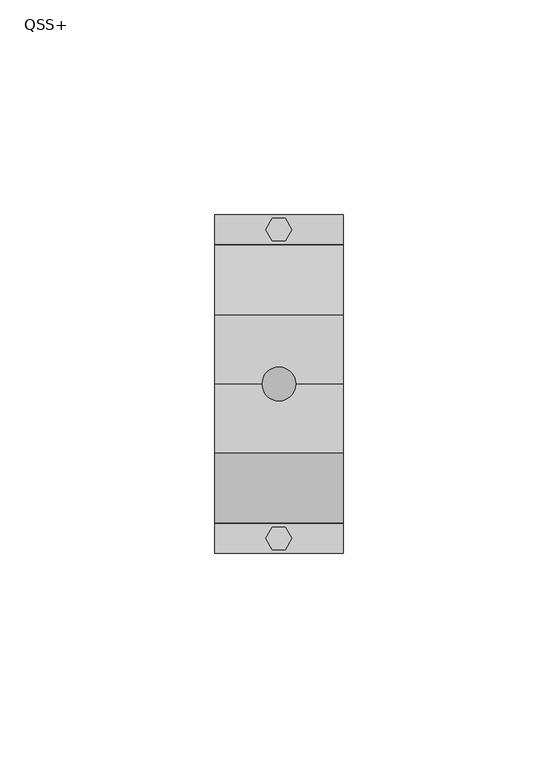
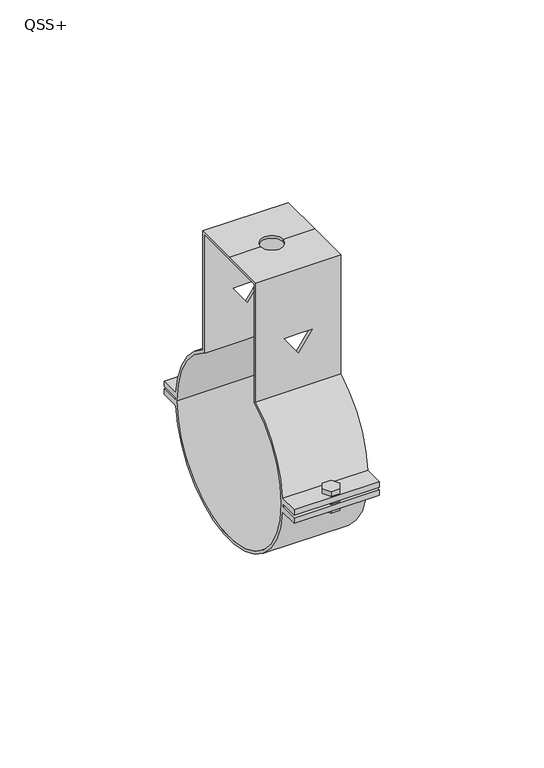
"""IFC4 building model written with IfcOpenShell, lengths in millimetres: proxy geometry, QSS+."""

from ifc_helpers import new_model, si_unit, frame, origin, place, context, project, spatial, polyline, circle_curve, outline, extrude, source, transform, mapped, element, save
from ifc_brep_helpers import plane_surface, cylinder_surface, revolved_surface, advanced_brep


def qss_b2c4017f(model_context):
    return source(origin(), model_context, "Body", "SolidModel", [
        extrude(outline(polyline([(1.5, 38.5980762), (3.0, 36.0), (1.5, 33.4019238), (-1.5, 33.4019238), (-3.0, 36.0), (-1.5, 38.5980762), (1.5, 38.5980762)])), frame((0.0, 0.0, -4.0), z_axis=(0.0, 0.0, 1.0), x_axis=(1.0, 0.0, 0.0)), (0.0, 0.0, 1.0), 8.0),
        extrude(outline(polyline([(1.5, -38.5980762), (-1.5, -38.5980762), (-3.0, -36.0), (-1.5, -33.4019238), (1.5, -33.4019238), (3.0, -36.0), (1.5, -38.5980762)])), frame((0.0, 0.0, -4.0), z_axis=(0.0, 0.0, 1.0), x_axis=(1.0, 0.0, 0.0)), (0.0, 0.0, 1.0), 8.0),
        advanced_brep(
        [(-15.0, -16.0, 72.5), (-15.0, 0.0, 72.5), (-15.0, 16.0, 72.5), (-15.0, 16.0, 28.2886903), (-15.0, 32.4062533, 2.4667277), (-15.0, 39.5, 2.4667277), (-15.0, 39.5, 0.4667277), (-15.0, 32.4966485, 0.4667277), (-15.0, 32.5, 0.0), (-15.0, 32.4966485, -0.4667277), (-15.0, 39.5, -0.4667277), (-15.0, 39.5, -2.4667277), (-15.0, 32.4062533, -2.4667277), (-15.0, -32.4033531, -2.5045372), (-15.0, -39.5, -2.5045372), (-15.0, -39.5, -0.5045372), (-15.0, -32.4960835, -0.5045372), (-15.0, -32.5, 0.0), (-15.0, -32.4960835, 0.5045372), (-15.0, -39.5, 0.5045372), (-15.0, -39.5, 2.5045372), (-15.0, -32.4033531, 2.5045372), (-15.0, -16.0, 28.2886903), (-15.0, 14.9730976, 71.5081289), (-15.0, 0.0, 71.5081289), (-15.0, -14.9730976, 71.5081289), (-15.0, -14.9730976, 27.7138295), (-15.0, -16.0, 27.1339271), (-15.0, -31.5, 0.0), (-15.0, 31.5, 0.0), (-15.0, 16.0, 27.1339271), (-15.0, 14.9730976, 27.7138295), (15.0, 16.0, 72.5), (15.0, 0.0, 72.5), (15.0, -16.0, 72.5), (15.0, -16.0, 28.2886903), (15.0, -32.4033531, 2.5045372), (15.0, -39.5, 2.5045372), (15.0, -39.5, 0.5045372), (15.0, -32.4960835, 0.5045372), (15.0, -32.5, 0.0), (15.0, -32.4960835, -0.5045372), (15.0, -39.5, -0.5045372), (15.0, -39.5, -2.5045372), (15.0, -32.4033531, -2.5045372), (15.0, 32.4062533, -2.4667277), (15.0, 39.5, -2.4667277), (15.0, 39.5, -0.4667277), (15.0, 32.4966485, -0.4667277), (15.0, 32.5, 0.0), (15.0, 32.4966485, 0.4667277), (15.0, 39.5, 0.4667277), (15.0, 39.5, 2.4667277), (15.0, 32.4062533, 2.4667277), (15.0, 16.0, 28.2886903), (15.0, -14.9730976, 71.5081289), (15.0, 0.0, 71.5081289), (15.0, 14.9730976, 71.5081289), (15.0, 14.9730976, 27.7138295), (15.0, 16.0, 27.1339271), (15.0, 31.5, 0.0), (15.0, -31.5, 0.0), (15.0, -16.0, 27.1339271), (15.0, -14.9730976, 27.7138295), (-4.0, 0.0, 72.5), (4.0, 0.0, 72.5), (0.0, -16.0, 48.3826485), (4.9139468, -16.0, 48.3826485), (0.0, -16.0, 41.3648052), (-4.9139468, -16.0, 48.3826485), (4.9139468, -14.9730976, 48.3826485), (0.0, -14.9730976, 48.3826485), (-4.9139468, -14.9730976, 48.3826485), (0.0, -14.9730976, 41.3648052), (-4.0, 0.0, 71.5081289), (4.0, 0.0, 71.5081289), (0.0, 14.9730976, 48.3826485), (4.9139468, 14.9730976, 48.3826485), (0.0, 14.9730976, 41.3648052), (-4.9139468, 14.9730976, 48.3826485), (4.9139468, 16.0, 48.3826485), (0.0, 16.0, 48.3826485), (-4.9139468, 16.0, 48.3826485), (0.0, 16.0, 41.3648052)],
        [
            (0, 1),
            (1, 2),
            (2, 3),
            (3, 4, circle_curve(frame((-15.0, 0.0, 0.0), z_axis=(-1.0, 0.0, 0.0), x_axis=(0.0, 1.0, 0.0)), 32.5)),
            (4, 5),
            (5, 6),
            (6, 7),
            (7, 8, circle_curve(frame((-15.0, 0.0, 0.0), z_axis=(-1.0, 0.0, 0.0), x_axis=(0.0, 1.0, 0.0)), 32.5)),
            (8, 9, circle_curve(frame((-15.0, 0.0, 0.0), z_axis=(-1.0, 0.0, 0.0), x_axis=(0.0, 1.0, 0.0)), 32.5)),
            (9, 10),
            (10, 11),
            (11, 12),
            (12, 13, circle_curve(frame((-15.0, 0.0, 0.0), z_axis=(-1.0, 0.0, 0.0), x_axis=(0.0, 1.0, 0.0)), 32.5)),
            (13, 14),
            (14, 15),
            (15, 16),
            (16, 17, circle_curve(frame((-15.0, 0.0, 0.0), z_axis=(-1.0, 0.0, 0.0), x_axis=(0.0, 1.0, 0.0)), 32.5)),
            (17, 18, circle_curve(frame((-15.0, 0.0, 0.0), z_axis=(-1.0, 0.0, 0.0), x_axis=(0.0, 1.0, 0.0)), 32.5)),
            (18, 19),
            (19, 20),
            (20, 21),
            (21, 22, circle_curve(frame((-15.0, 0.0, 0.0), z_axis=(-1.0, 0.0, 0.0), x_axis=(0.0, 1.0, 0.0)), 32.5)),
            (22, 0),
            (23, 24),
            (24, 25),
            (25, 26),
            (26, 27, circle_curve(frame((-15.0, 0.0, 0.0), z_axis=(1.0, 0.0, 0.0), x_axis=(0.0, 1.0, 0.0)), 31.5)),
            (27, 28, circle_curve(frame((-15.0, 0.0, 0.0), z_axis=(1.0, 0.0, 0.0), x_axis=(0.0, 1.0, 0.0)), 31.5)),
            (28, 29, circle_curve(frame((-15.0, 0.0, 0.0), z_axis=(1.0, 0.0, 0.0), x_axis=(0.0, 1.0, 0.0)), 31.5)),
            (29, 30, circle_curve(frame((-15.0, 0.0, 0.0), z_axis=(1.0, 0.0, 0.0), x_axis=(0.0, 1.0, 0.0)), 31.5)),
            (30, 31, circle_curve(frame((-15.0, 0.0, 0.0), z_axis=(1.0, 0.0, 0.0), x_axis=(0.0, 1.0, 0.0)), 31.5)),
            (31, 23),
            (32, 33),
            (33, 34),
            (34, 35),
            (35, 36, circle_curve(frame((15.0, 0.0, 0.0), z_axis=(1.0, 0.0, 0.0), x_axis=(0.0, 1.0, 0.0)), 32.5)),
            (36, 37),
            (37, 38),
            (38, 39),
            (39, 40, circle_curve(frame((15.0, 0.0, 0.0), z_axis=(1.0, 0.0, 0.0), x_axis=(0.0, 1.0, 0.0)), 32.5)),
            (40, 41, circle_curve(frame((15.0, 0.0, 0.0), z_axis=(1.0, 0.0, 0.0), x_axis=(0.0, 1.0, 0.0)), 32.5)),
            (41, 42),
            (42, 43),
            (43, 44),
            (44, 45, circle_curve(frame((15.0, 0.0, 0.0), z_axis=(1.0, 0.0, 0.0), x_axis=(0.0, 1.0, 0.0)), 32.5)),
            (45, 46),
            (46, 47),
            (47, 48),
            (48, 49, circle_curve(frame((15.0, 0.0, 0.0), z_axis=(1.0, 0.0, 0.0), x_axis=(0.0, 1.0, 0.0)), 32.5)),
            (49, 50, circle_curve(frame((15.0, 0.0, 0.0), z_axis=(1.0, 0.0, 0.0), x_axis=(0.0, 1.0, 0.0)), 32.5)),
            (50, 51),
            (51, 52),
            (52, 53),
            (53, 54, circle_curve(frame((15.0, 0.0, 0.0), z_axis=(1.0, 0.0, 0.0), x_axis=(0.0, 1.0, 0.0)), 32.5)),
            (54, 32),
            (55, 56),
            (56, 57),
            (57, 58),
            (58, 59, circle_curve(frame((15.0, 0.0, 0.0), z_axis=(-1.0, 0.0, 0.0), x_axis=(0.0, 1.0, 0.0)), 31.5)),
            (59, 60, circle_curve(frame((15.0, 0.0, 0.0), z_axis=(-1.0, 0.0, 0.0), x_axis=(0.0, 1.0, 0.0)), 31.5)),
            (60, 61, circle_curve(frame((15.0, 0.0, 0.0), z_axis=(-1.0, 0.0, 0.0), x_axis=(0.0, 1.0, 0.0)), 31.5)),
            (61, 62, circle_curve(frame((15.0, 0.0, 0.0), z_axis=(-1.0, 0.0, 0.0), x_axis=(0.0, 1.0, 0.0)), 31.5)),
            (62, 63, circle_curve(frame((15.0, 0.0, 0.0), z_axis=(-1.0, 0.0, 0.0), x_axis=(0.0, 1.0, 0.0)), 31.5)),
            (63, 55),
            (1, 64),
            (64, 65, circle_curve(frame((0.0, 0.0, 72.5), z_axis=(0.0, 0.0, -1.0), x_axis=(1.0, 0.0, 0.0)), 4.0)),
            (65, 33),
            (32, 2),
            (0, 34),
            (65, 64, circle_curve(frame((0.0, 0.0, 72.5), z_axis=(0.0, 0.0, -1.0), x_axis=(1.0, 0.0, 0.0)), 4.0)),
            (22, 35),
            (66, 67),
            (67, 68),
            (68, 69),
            (69, 66),
            (25, 55),
            (63, 26),
            (70, 71),
            (71, 72),
            (72, 73),
            (73, 70),
            (24, 74),
            (74, 75, circle_curve(frame((0.0, 0.0, 71.5081289), z_axis=(0.0, 0.0, 1.0), x_axis=(1.0, 0.0, 0.0)), 4.0)),
            (75, 56),
            (23, 57),
            (75, 74, circle_curve(frame((0.0, 0.0, 71.5081289), z_axis=(0.0, 0.0, 1.0), x_axis=(1.0, 0.0, 0.0)), 4.0)),
            (31, 58),
            (76, 77),
            (77, 78),
            (78, 79),
            (79, 76),
            (54, 3),
            (80, 81),
            (81, 82),
            (82, 83),
            (83, 80),
            (61, 28),
            (27, 62),
            (29, 60),
            (59, 30),
            (40, 17),
            (16, 41),
            (8, 49),
            (48, 9),
            (12, 45),
            (44, 13),
            (21, 36),
            (53, 4),
            (39, 18),
            (7, 50),
            (6, 51),
            (5, 52),
            (11, 46),
            (10, 47),
            (38, 19),
            (37, 20),
            (43, 14),
            (42, 15),
            (70, 67),
            (66, 71),
            (80, 77),
            (76, 81),
            (69, 72),
            (79, 82),
            (68, 73),
            (78, 83),
            (65, 75),
            (74, 64),
        ],
        [
            plane_surface(frame((-15.0, 16.0, 72.5), z_axis=(-1.0, 0.0, 0.0), x_axis=(0.0, 1.0, 0.0))),
            plane_surface(frame((15.0, 16.0, 72.5), z_axis=(1.0, 0.0, 0.0), x_axis=(0.0, -1.0, 0.0))),
            plane_surface(frame((15.0, 16.0, 72.5), z_axis=(0.0, 0.0, 1.0), x_axis=(-1.0, 0.0, 0.0))),
            plane_surface(frame((15.0, 0.0, 72.5), z_axis=(0.0, 0.0, 1.0), x_axis=(-1.0, 0.0, 0.0))),
            plane_surface(frame((15.0, -16.0, 72.5), z_axis=(0.0, -1.0, 0.0), x_axis=(-1.0, 0.0, 0.0))),
            plane_surface(frame((15.0, -14.9730976, 0.0), z_axis=(0.0, 1.0, 0.0), x_axis=(-1.0, 0.0, 0.0))),
            plane_surface(frame((15.0, -14.9730976, 71.5081289), z_axis=(0.0, 0.0, -1.0), x_axis=(-1.0, 0.0, 0.0))),
            plane_surface(frame((15.0, 0.0, 71.5081289), z_axis=(0.0, 0.0, -1.0), x_axis=(-1.0, 0.0, 0.0))),
            plane_surface(frame((15.0, 14.9730976, 71.5081289), z_axis=(0.0, -1.0, 0.0), x_axis=(-1.0, 0.0, 0.0))),
            plane_surface(frame((15.0, 16.0, 0.0), z_axis=(0.0, 1.0, 0.0), x_axis=(-1.0, 0.0, 0.0))),
            revolved_surface(polyline([(-15.0, 31.5, 0.0), (15.0, 31.5, 0.0)]), (-15.0, 0.0, 0.0), (-1.0, 0.0, 0.0)),
            cylinder_surface(frame((0.0, 0.0, 0.0), z_axis=(1.0, 0.0, 0.0), x_axis=(0.0, 1.0, 0.0)), 32.5),
            revolved_surface(polyline([(15.0, 31.5, 0.0), (-15.0, 31.5, 0.0)]), (-15.0, 0.0, 0.0), (1.0, 0.0, 0.0)),
            plane_surface(frame((15.0, 31.7591075, 0.4667277), z_axis=(0.0, 0.0, -1.0), x_axis=(-1.0, 0.0, 0.0))),
            plane_surface(frame((15.0, 39.5, 0.4667277), z_axis=(0.0, 1.0, 0.0), x_axis=(-1.0, 0.0, 0.0))),
            plane_surface(frame((15.0, 39.5, 2.4667277), z_axis=(0.0, 0.0, 1.0), x_axis=(-1.0, 0.0, 0.0))),
            plane_surface(frame((15.0, 31.7591075, -2.4667277), z_axis=(0.0, 0.0, -1.0), x_axis=(-1.0, 0.0, 0.0))),
            plane_surface(frame((15.0, 39.5, -2.4667277), z_axis=(0.0, 1.0, 0.0), x_axis=(-1.0, 0.0, 0.0))),
            plane_surface(frame((15.0, 39.5, -0.4667277), z_axis=(0.0, 0.0, 1.0), x_axis=(-1.0, 0.0, 0.0))),
            plane_surface(frame((15.0, -39.5, 0.5045372), z_axis=(0.0, 0.0, -1.0), x_axis=(-1.0, 0.0, 0.0))),
            plane_surface(frame((15.0, -39.5, 2.5045372), z_axis=(0.0, -1.0, 0.0), x_axis=(-1.0, 0.0, 0.0))),
            plane_surface(frame((15.0, -31.7591075, 2.5045372), z_axis=(0.0, 0.0, 1.0), x_axis=(-1.0, 0.0, 0.0))),
            plane_surface(frame((15.0, -39.5, -2.5045372), z_axis=(0.0, 0.0, -1.0), x_axis=(-1.0, 0.0, 0.0))),
            plane_surface(frame((15.0, -39.5, -0.5045372), z_axis=(0.0, -1.0, 0.0), x_axis=(-1.0, 0.0, 0.0))),
            plane_surface(frame((15.0, -31.7591075, -0.5045372), z_axis=(0.0, 0.0, 1.0), x_axis=(-1.0, 0.0, 0.0))),
            plane_surface(frame((4.9139468, -23.1577597, 48.3826485), z_axis=(0.0, 0.0, -1.0), x_axis=(0.0, 1.0, 0.0))),
            plane_surface(frame((0.0, -23.1577597, 48.3826485), z_axis=(0.0, 0.0, -1.0), x_axis=(0.0, 1.0, 0.0))),
            plane_surface(frame((-4.9139468, -23.1577597, 48.3826485), z_axis=(0.8191520442889921, 0.0, 0.5735764363510457), x_axis=(0.0, 1.0, 0.0))),
            plane_surface(frame((0.0, -23.1577597, 41.3648052), z_axis=(-0.8191520442889922, 0.0, 0.5735764363510454), x_axis=(0.0, 1.0, 0.0))),
            revolved_surface(polyline([(4.0, 0.0, 72.5), (4.0, 0.0, 71.5081289)]), (0.0, 0.0, 71.5081289), (0.0, 0.0, 1.0)),
        ],
        [
            (0, [[1, 2, 3, 4, 5, 6, 7, 8, 9, 10, 11, 12, 13, 14, 15, 16, 17, 18, 19, 20, 21, 22, 23], [24, 25, 26, 27, 28, 29, 30, 31, 32]]),
            (1, [[33, 34, 35, 36, 37, 38, 39, 40, 41, 42, 43, 44, 45, 46, 47, 48, 49, 50, 51, 52, 53, 54, 55], [56, 57, 58, 59, 60, 61, 62, 63, 64]]),
            (2, [[-2, 65, 66, 67, -33, 68]]),
            (3, [[-1, 69, -34, -67, 70, -65]]),
            (4, [[-69, -23, 71, -35], [72, 73, 74, 75]]),
            (5, [[76, -64, 77, -26], [78, 79, 80, 81]]),
            (6, [[-25, 82, 83, 84, -56, -76]]),
            (7, [[-24, 85, -57, -84, 86, -82]]),
            (8, [[-85, -32, 87, -58], [88, 89, 90, 91]]),
            (9, [[-68, -55, 92, -3], [93, 94, 95, 96]]),
            (10, [[97, -28, 98, -62]]),
            (10, [[99, -60, 100, -30]]),
            (10, [[-29, -97, -61, -99]]),
            (11, [[101, -17, 102, -41]]),
            (11, [[103, -49, 104, -9]]),
            (11, [[105, -45, 106, -13]]),
            (11, [[-71, -22, 107, -36]]),
            (11, [[-92, -54, 108, -4]]),
            (11, [[-101, -40, 109, -18]]),
            (11, [[-103, -8, 110, -50]]),
            (12, [[-27, -77, -63, -98]]),
            (12, [[-31, -100, -59, -87]]),
            (13, [[111, -51, -110, -7]]),
            (14, [[-52, -111, -6, 112]]),
            (15, [[-112, -5, -108, -53]]),
            (16, [[113, -46, -105, -12]]),
            (17, [[-47, -113, -11, 114]]),
            (18, [[-114, -10, -104, -48]]),
            (19, [[115, -19, -109, -39]]),
            (20, [[-38, 116, -20, -115]]),
            (21, [[-116, -37, -107, -21]]),
            (22, [[117, -14, -106, -44]]),
            (23, [[-43, 118, -15, -117]]),
            (24, [[-118, -42, -102, -16]]),
            (25, [[119, -72, 120, -78]]),
            (25, [[121, -88, 122, -93]]),
            (26, [[-120, -75, 123, -79]]),
            (26, [[-122, -91, 124, -94]]),
            (27, [[-123, -74, 125, -80]]),
            (27, [[-124, -90, 126, -95]]),
            (28, [[-119, -81, -125, -73]]),
            (28, [[-121, -96, -126, -89]]),
            (29, [[127, -83, 128, -70]]),
            (29, [[-127, -66, -128, -86]]),
        ],
    ),
    ])


if __name__ == "__main__":
    model = new_model("IFC4")
    model_context = context("Model", 3, world=origin())
    ifc_project = project(units=[si_unit("LENGTHUNIT", "METRE", prefix="MILLI")], contexts=[model_context])
    site = spatial("IfcSite", under=ifc_project)
    building = spatial("IfcBuilding", under=site)
    placement = place(None, origin())
    qss_shape = qss_b2c4017f(model_context)
    element("IfcBuildingElementProxy", 1, Name="QSS+", ObjectType="QSS+", at=placement, inside=building, context=model_context, shape_type="MappedRepresentation", body=[
        mapped(qss_shape, transform((0.0, 0.0, 0.0), x_axis=(1.0, 0.0, 0.0), y_axis=(0.0, 1.0, 0.0), z_axis=(0.0, 0.0, 1.0))),
    ])
    save(model, "model.ifc")
